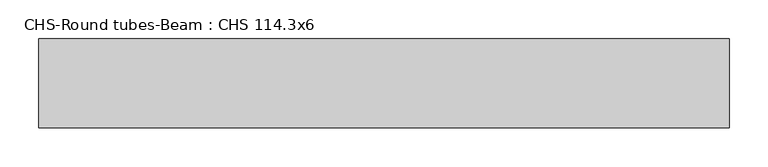
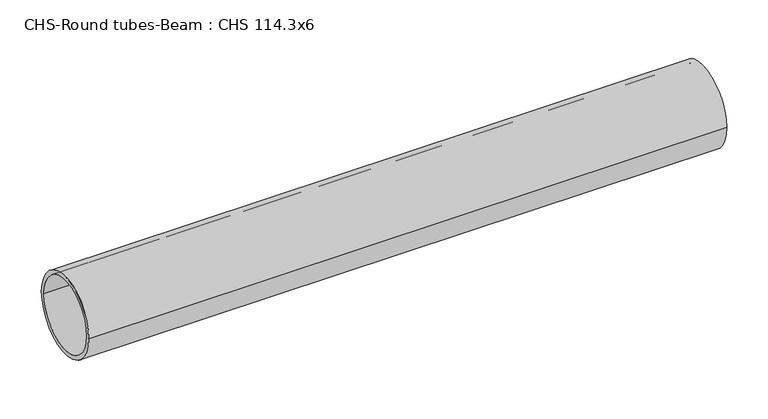
"""IFC4 building model written with IfcOpenShell, lengths in millimetres: beam geometry, CHS-Round tubes-Beam : CHS 114.3x6."""

from ifc_helpers import new_model, si_unit, point, frame, origin, origin_2d, place, context, project, spatial, circle_curve, trimmed, segment, composite_curve, outline, extrude, source, transform, mapped, element, save


def chs_round_tubes_beam_chs_114_3x6_b737da2e(model_context):
    return source(origin(), model_context, "Body", "SweptSolid", [
        extrude(outline(composite_curve([segment(trimmed(circle_curve(origin_2d(), 57.15), [point((57.15, 0.0))], [point((-57.15, 0.0))], False, "CARTESIAN"), True, "CONTINUOUS"), segment(trimmed(circle_curve(origin_2d(), 57.15), [point((-57.15, 0.0))], [point((57.15, 0.0))], False, "CARTESIAN"), True, "CONTINUOUS")], self_intersect=False), holes=[composite_curve([segment(trimmed(circle_curve(origin_2d(), 51.15), [point((51.15, 0.0))], [point((-51.15, 0.0))], True, "CARTESIAN"), True, "CONTINUOUS"), segment(trimmed(circle_curve(origin_2d(), 51.15), [point((-51.15, 0.0))], [point((51.15, 0.0))], True, "CARTESIAN"), True, "CONTINUOUS")], self_intersect=False)]), frame((-449.313107, 0.0, 0.0), z_axis=(1.0, 0.0, 0.0), x_axis=(0.0, 1.0, 0.0)), (0.0, 0.0, 1.0), 887.0949118),
    ])


if __name__ == "__main__":
    model = new_model("IFC4")
    model_context = context("Model", 3, world=origin())
    ifc_project = project(units=[si_unit("LENGTHUNIT", "METRE", prefix="MILLI")], contexts=[model_context])
    site = spatial("IfcSite", under=ifc_project)
    building = spatial("IfcBuilding", under=site)
    placement = place(None, origin())
    chs_round_tubes_beam_chs_114_3x6_shape = chs_round_tubes_beam_chs_114_3x6_b737da2e(model_context)
    element("IfcBeam", 1, ObjectType="CHS-Round tubes-Beam : CHS 114.3x6", at=placement, inside=building, context=model_context, shape_type="MappedRepresentation", body=[
        mapped(chs_round_tubes_beam_chs_114_3x6_shape, transform((0.0, 0.0, 0.0), x_axis=(1.0, 0.0, 0.0), y_axis=(0.0, 1.0, 0.0), z_axis=(0.0, 0.0, 1.0))),
    ])
    save(model, "model.ifc")
